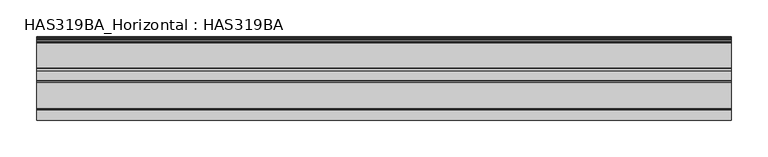
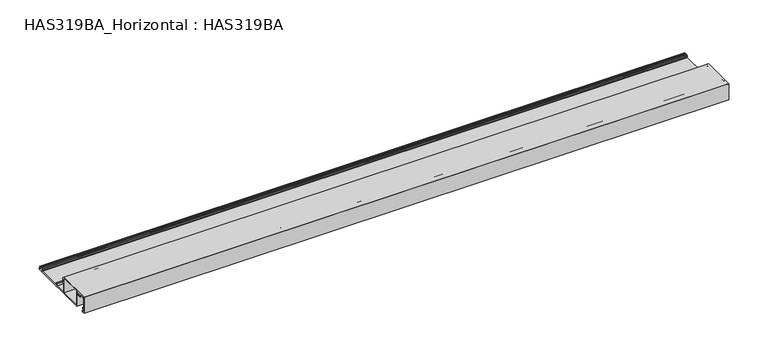
"""IFC4 building model written with IfcOpenShell, lengths in millimetres: beam geometry, HAS319BA_Horizontal : HAS319BA."""

import ifcopenshell
import ifcopenshell.guid

model = None  # the IFC model being written
_history = None  # IfcOwnerHistory: only IFC2X3 demands one
_inside = {}  # id of a spatial element -> (the spatial element, [elements in it])
_under = {}  # id of a project, library or spatial element -> (it, [spatial elements below it])
_declared = {}  # id of a project -> (the project, [libraries it declares])
_typed = {}  # id of a type object -> (the type object, [elements of that type])
_made_of = {}  # id of a material, layer set ... -> (it, [elements and type objects made of it])


def new_model(schema):
    """Start an empty IFC model of exactly this schema.

    Asked for "IFC4X3", IfcOpenShell would pick the latest addendum, in which some entities
    have other attributes; the version numbers below select the first issue.
    IFC2X3 requires an IfcOwnerHistory on every rooted entity: one is made here for all.
    """
    global model, _history
    if schema == "IFC4X3":
        model = ifcopenshell.file(schema_version=(4, 3, 0, 0))
    else:
        model = ifcopenshell.file(schema=schema)
    _inside.clear()
    _under.clear()
    _declared.clear()
    _typed.clear()
    _made_of.clear()
    _history = None
    if model.schema == "IFC2X3":
        org = make("IfcOrganization", Name="unknown")
        user = make(
            "IfcPersonAndOrganization",
            ThePerson=make("IfcPerson", FamilyName="unknown"),
            TheOrganization=org,
        )
        app = make(
            "IfcApplication",
            ApplicationDeveloper=org,
            Version="unknown",
            ApplicationFullName="unknown",
            ApplicationIdentifier="unknown",
        )
        _history = make(
            "IfcOwnerHistory",
            OwningUser=user,
            OwningApplication=app,
            ChangeAction="ADDED",
            CreationDate=0,
        )
    return model


def make(cls, **values):
    """One entity of the class cls with the attributes given. An attribute that is None is left unset."""
    return model.create_entity(
        cls, **{name: value for name, value in values.items() if value is not None}
    )


def rooted(cls, **values):
    """An entity with a GlobalId (a new one), such as an element, a storey or a relation."""
    return make(cls, GlobalId=ifcopenshell.guid.new(), OwnerHistory=_history, **values)


def si_unit(unit_type, name, prefix=None):
    """IfcSIUnit, for example si_unit("LENGTHUNIT", "METRE", prefix="MILLI")."""
    return make("IfcSIUnit", UnitType=unit_type, Prefix=prefix, Name=name)


def assignment(units):
    """IfcUnitAssignment: the units of a project."""
    return None if units is None else make("IfcUnitAssignment", Units=units)


def point(xyz):
    """IfcCartesianPoint."""
    return None if xyz is None else make("IfcCartesianPoint", Coordinates=xyz)


def direction(xyz):
    """IfcDirection."""
    return None if xyz is None else make("IfcDirection", DirectionRatios=xyz)


def frame(location, z_axis=None, x_axis=None):
    """IfcAxis2Placement3D, a coordinate frame: its origin and axes. An axis left out is left unset."""
    return make(
        "IfcAxis2Placement3D",
        Location=point(location),
        Axis=direction(z_axis),
        RefDirection=direction(x_axis),
    )


def frame_2d(location, x_axis=None):
    """IfcAxis2Placement2D, a coordinate frame in the plane: its origin and x axis."""
    return make(
        "IfcAxis2Placement2D", Location=point(location), RefDirection=direction(x_axis)
    )


def origin():
    """The frame at (0, 0, 0) with its axes left unset."""
    return frame((0.0, 0.0, 0.0))


def place(relative_to, where):
    """IfcLocalPlacement: puts the frame where relative to a parent placement (None: the world)."""
    return make(
        "IfcLocalPlacement", PlacementRelTo=relative_to, RelativePlacement=where
    )


def context(
    kind, dimensions, precision=None, world=None, true_north=None, identifier=None
):
    """IfcGeometricRepresentationContext, for example the 3D "Model" context."""
    return make(
        "IfcGeometricRepresentationContext",
        ContextIdentifier=identifier,
        ContextType=kind,
        CoordinateSpaceDimension=dimensions,
        Precision=precision,
        WorldCoordinateSystem=world,
        TrueNorth=true_north,
    )


def project(units=None, contexts=None):
    """IfcProject with its units and contexts."""
    return rooted(
        "IfcProject",
        Name="project",
        RepresentationContexts=contexts,
        UnitsInContext=assignment(units),
    )


def spatial(cls, under=None, at=None, **own):
    """A site, building, storey or space (cls), placed at a placement, below another one or the project."""
    s = rooted(cls, ObjectPlacement=at, **own)
    if under is not None:
        _under.setdefault(under.id(), (under, []))[1].append(s)
    return s


def polyline(points):
    """IfcPolyline through the points."""
    return make("IfcPolyline", Points=[point(p) for p in points])


def circle_curve(where, radius):
    """IfcCircle in the frame where."""
    return make("IfcCircle", Position=where, Radius=radius)


def trimmed(basis, trim1, trim2, sense, master):
    """IfcTrimmedCurve: the piece of a basis curve between two trims."""
    return make(
        "IfcTrimmedCurve",
        BasisCurve=basis,
        Trim1=trim1,
        Trim2=trim2,
        SenseAgreement=sense,
        MasterRepresentation=master,
    )


def segment(curve, same_sense, transition):
    """IfcCompositeCurveSegment."""
    return make(
        "IfcCompositeCurveSegment",
        Transition=transition,
        SameSense=same_sense,
        ParentCurve=curve,
    )


def composite_curve(segments, self_intersect=None):
    """IfcCompositeCurve: segments joined end to end."""
    return make("IfcCompositeCurve", Segments=segments, SelfIntersect=self_intersect)


def outline(outer, holes=None, kind="AREA"):
    """IfcArbitraryClosedProfileDef: a profile drawn as a closed curve; with holes, ...WithVoids."""
    if holes is None:
        return make("IfcArbitraryClosedProfileDef", ProfileType=kind, OuterCurve=outer)
    return make(
        "IfcArbitraryProfileDefWithVoids",
        ProfileType=kind,
        OuterCurve=outer,
        InnerCurves=holes,
    )


def extrude(swept, where, along, depth):
    """IfcExtrudedAreaSolid: the profile swept, set in the frame where, extruded along a direction by depth."""
    return make(
        "IfcExtrudedAreaSolid",
        SweptArea=swept,
        Position=where,
        ExtrudedDirection=direction(along),
        Depth=depth,
    )


def shape(context_of_items, identifier, shape_type, items):
    """IfcShapeRepresentation: the items that make up one representation, for example the "Body"."""
    return make(
        "IfcShapeRepresentation",
        ContextOfItems=context_of_items,
        RepresentationIdentifier=identifier,
        RepresentationType=shape_type,
        Items=items,
    )


def source(mapping_origin, context_of_items, identifier, shape_type, items):
    """IfcRepresentationMap: a shape defined once, which mapped items show again and again."""
    return make(
        "IfcRepresentationMap",
        MappingOrigin=mapping_origin,
        MappedRepresentation=shape(context_of_items, identifier, shape_type, items),
    )


def transform(
    local_origin,
    x_axis=None,
    y_axis=None,
    z_axis=None,
    scale=None,
    scale2=None,
    scale3=None,
    uniform=True,
):
    """IfcCartesianTransformationOperator3D, or its non-uniform kind. x_axis, y_axis, z_axis: its Axis1, 2, 3."""
    if uniform:
        return make(
            "IfcCartesianTransformationOperator3D",
            Axis1=direction(x_axis),
            Axis2=direction(y_axis),
            LocalOrigin=point(local_origin),
            Scale=scale,
            Axis3=direction(z_axis),
        )
    return make(
        "IfcCartesianTransformationOperator3DnonUniform",
        Axis1=direction(x_axis),
        Axis2=direction(y_axis),
        LocalOrigin=point(local_origin),
        Scale=scale,
        Axis3=direction(z_axis),
        Scale2=scale2,
        Scale3=scale3,
    )


def mapped(mapping_source, mapping_target):
    """IfcMappedItem: shows the shape of a source again, moved by a transform."""
    return make(
        "IfcMappedItem", MappingSource=mapping_source, MappingTarget=mapping_target
    )


def made_of(thing, what):
    """Note that an element or type object is made of a material, layer set ...; save() writes the relation."""
    if what is not None:
        _made_of.setdefault(what.id(), (what, []))[1].append(thing)
    return thing


def element(
    cls,
    number,
    at=None,
    inside=None,
    cuts=None,
    type_object=None,
    material=None,
    context=None,
    identifier="Body",
    shape_type=None,
    held_by="IfcProductDefinitionShape",
    body=None,
    shapes=None,
    **own,
):
    """One element of the class cls, such as IfcWall. Its Tag is "e" and its number.

    at: its placement. inside: the storey or other place that contains it. cuts: it is an
    opening in that element (IfcRelVoidsElement). A single representation is given by context,
    identifier, shape_type and body (its items); several are given by shapes. held_by: the class
    of the entity that holds the representations. save() writes the other relations.
    """
    e = rooted(cls, Tag="e%d" % number, ObjectPlacement=at, **own)
    if body is not None:
        shapes = [shape(context, identifier, shape_type, body)]
    if shapes is not None:
        e.Representation = make(held_by, Representations=shapes)
    if inside is not None:
        _inside.setdefault(inside.id(), (inside, []))[1].append(e)
    if cuts is not None:
        rooted(
            "IfcRelVoidsElement", RelatingBuildingElement=cuts, RelatedOpeningElement=e
        )
    if type_object is not None:
        _typed.setdefault(type_object.id(), (type_object, []))[1].append(e)
    return made_of(e, material)


def aggregate(whole, parts):
    """IfcRelAggregates: a whole, such as a stair, and the parts it consists of."""
    return rooted("IfcRelAggregates", RelatingObject=whole, RelatedObjects=parts)


def save(model, path):
    """Write the relations noted so far, then the file.

    IfcRelAggregates (storeys below a building ...), IfcRelContainedInSpatialStructure (elements
    in a storey), IfcRelDefinesByType, IfcRelAssociatesMaterial and IfcRelDeclares: one each for
    every whole, place, type object, material and project.
    """
    for whole, parts in _under.values():
        aggregate(whole, parts)
    for where, things in _inside.values():
        rooted(
            "IfcRelContainedInSpatialStructure",
            RelatedElements=things,
            RelatingStructure=where,
        )
    for kind, things in _typed.values():
        rooted("IfcRelDefinesByType", RelatedObjects=things, RelatingType=kind)
    for what, things in _made_of.values():
        rooted("IfcRelAssociatesMaterial", RelatedObjects=things, RelatingMaterial=what)
    for by, libraries in _declared.values():
        rooted("IfcRelDeclares", RelatingContext=by, RelatedDefinitions=libraries)
    model.write(path)


def has319ba_horizontal_has319ba_dd2ad573(model_context):
    return source(origin(), model_context, "Body", "SweptSolid", [
        extrude(outline(composite_curve([segment(polyline([(11.9922443, 1.5559478), (48.7321131, 1.5559478)]), True, "CONTINUOUS"), segment(trimmed(circle_curve(frame_2d((48.7321131, 2.0578665)), 0.5019187), [point((48.7321131, 1.5559478))], [point((49.1763904, 2.2914045))], True, "CARTESIAN"), True, "CONTINUOUS"), segment(polyline([(49.1763904, 2.2914045), (48.6994167, 3.1987884)]), True, "CONTINUOUS"), segment(trimmed(circle_curve(frame_2d((49.4855486, 3.362855)), 0.8030699), [point((48.6994167, 3.1987884))], [point((48.9176924, 3.9307111))], False, "CARTESIAN"), True, "CONTINUOUS"), segment(polyline([(48.9176924, 3.9307111), (49.8555923, 4.868611), (51.8683829, 4.868611)]), True, "CONTINUOUS"), segment(trimmed(circle_curve(frame_2d((51.8683829, 4.5303283)), 0.3382827), [point((51.8683829, 4.868611))], [point((52.1087403, 4.2922873))], False, "CARTESIAN"), True, "CONTINUOUS"), segment(trimmed(circle_curve(frame_2d((53.2499385, 3.1620875)), 1.6061397), [point((52.1087403, 4.2922873))], [point((54.4254596, 4.256544))], True, "CARTESIAN"), True, "CONTINUOUS"), segment(trimmed(circle_curve(frame_2d((54.6918814, 4.5045932)), 0.3640178), [point((54.4254596, 4.256544))], [point((54.6918814, 4.868611))], False, "CARTESIAN"), True, "CONTINUOUS"), segment(polyline([(54.6918814, 4.868611), (55.8521822, 4.868611)]), True, "CONTINUOUS"), segment(trimmed(circle_curve(frame_2d((53.2499385, 3.1620875)), 3.1118957), [point((55.8521822, 4.868611))], [point((56.2063299, 2.1906738))], False, "CARTESIAN"), True, "CONTINUOUS"), segment(trimmed(circle_curve(frame_2d((56.6831672, 2.0339941)), 0.5019187), [point((56.2063299, 2.1906738))], [point((56.5866789, 1.5414372))], True, "CARTESIAN"), True, "CONTINUOUS"), segment(trimmed(circle_curve(frame_2d((56.437122, 0.7779739)), 0.7779739), [point((56.5866789, 1.5414372))], [point((56.437122, 0.0))], False, "CARTESIAN"), True, "CONTINUOUS"), segment(polyline([(56.437122, 0.0), (-38.6906612, 0.0), (-38.6906612, 23.6448196), (-40.9871474, 23.6448196)]), True, "CONTINUOUS"), segment(trimmed(circle_curve(frame_2d((-40.9871474, 23.2432753)), 0.4015444), [point((-40.9871474, 23.6448196))], [point((-41.3499466, 23.0711864))], True, "CARTESIAN"), True, "CONTINUOUS"), segment(trimmed(circle_curve(frame_2d((-44.1615746, 21.7375287)), 3.1118957), [point((-41.3499466, 23.0711864))], [point((-41.8268955, 19.6800623))], False, "CARTESIAN"), True, "CONTINUOUS"), segment(trimmed(circle_curve(frame_2d((-42.3917372, 20.1778364)), 0.752878), [point((-41.8268955, 19.6800623))], [point((-42.956579, 20.6756106))], False, "CARTESIAN"), True, "CONTINUOUS"), segment(trimmed(circle_curve(frame_2d((-44.1615746, 21.7375287)), 1.6061397), [point((-42.956579, 20.6756106))], [point((-44.120102, 23.3431329))], True, "CARTESIAN"), True, "CONTINUOUS"), segment(trimmed(circle_curve(frame_2d((-44.1615746, 21.7375287)), 1.6061397), [point((-44.120102, 23.3431329))], [point((-45.3665703, 20.6756106))], True, "CARTESIAN"), True, "CONTINUOUS"), segment(trimmed(circle_curve(frame_2d((-45.931412, 20.1778364)), 0.752878), [point((-45.3665703, 20.6756106))], [point((-46.4962537, 19.6800623))], False, "CARTESIAN"), True, "CONTINUOUS"), segment(trimmed(circle_curve(frame_2d((-44.1615746, 21.7375287)), 3.1118957), [point((-46.4962537, 19.6800623))], [point((-46.9732171, 23.0711558))], False, "CARTESIAN"), True, "CONTINUOUS"), segment(trimmed(circle_curve(frame_2d((-47.33604, 23.2432511)), 0.4015685), [point((-46.9732171, 23.0711558))], [point((-47.33604, 23.6448196))], True, "CARTESIAN"), True, "CONTINUOUS"), segment(polyline([(-47.33604, 23.6448196), (-53.3466861, 23.6448196), (-53.3466861, 22.6409823)]), True, "CONTINUOUS"), segment(trimmed(circle_curve(frame_2d((-53.8486047, 22.6409823)), 0.5019187), [point((-53.3466861, 22.6409823))], [point((-54.3505234, 22.6409823))], False, "CARTESIAN"), True, "CONTINUOUS"), segment(polyline([(-54.3505234, 22.6409823), (-54.3505234, 23.6448196), (-55.8562794, 23.6448196), (-55.8562794, 5.6716808), (-54.3505234, 5.6716808), (-54.3505234, 6.6755182)]), True, "CONTINUOUS"), segment(trimmed(circle_curve(frame_2d((-53.8486047, 6.6755182)), 0.5019187), [point((-54.3505234, 6.6755182))], [point((-53.3466861, 6.6755182))], False, "CARTESIAN"), True, "CONTINUOUS"), segment(polyline([(-53.3466861, 6.6755182), (-53.3466861, 5.4709134)]), True, "CONTINUOUS"), segment(trimmed(circle_curve(frame_2d((-54.1497559, 5.4709134)), 0.8030699), [point((-53.3466861, 5.4709134))], [point((-54.1497559, 4.6678435))], False, "CARTESIAN"), True, "CONTINUOUS"), segment(polyline([(-54.1497559, 4.6678435), (-55.8562794, 4.6678435), (-55.8562794, 1.4053722), (-52.8949593, 1.4053722)]), True, "CONTINUOUS"), segment(trimmed(circle_curve(frame_2d((-52.8949593, 0.7026861)), 0.7026861), [point((-52.8949593, 1.4053722))], [point((-52.8949593, 0.0))], False, "CARTESIAN"), True, "CONTINUOUS"), segment(polyline([(-52.8949593, 0.0), (-57.2114597, 0.0), (-57.2114597, 25.0), (-5.5749087, 25.0), (-5.5749087, 22.6409823), (-3.8683853, 22.6409823)]), True, "CONTINUOUS"), segment(trimmed(circle_curve(frame_2d((-3.8683853, 22.1390636)), 0.5019187), [point((-3.8683853, 22.6409823))], [point((-3.3664666, 22.1390636))], False, "CARTESIAN"), True, "CONTINUOUS"), segment(polyline([(-3.3664666, 22.1390636), (-3.3664666, 20.5336914)]), True, "CONTINUOUS"), segment(trimmed(circle_curve(frame_2d((-3.8683853, 20.5336914)), 0.5019187), [point((-3.3664666, 20.5336914))], [point((-4.3703039, 20.5336914))], False, "CARTESIAN"), True, "CONTINUOUS"), segment(polyline([(-4.3703039, 20.5336914), (-4.3703039, 21.3359938), (-5.7756762, 21.3359938), (-5.7756762, 16.0112052), (-4.3703039, 16.0112052), (-4.3703039, 16.8135076)]), True, "CONTINUOUS"), segment(trimmed(circle_curve(frame_2d((-3.8683853, 16.8135076)), 0.5019187), [point((-4.3703039, 16.8135076))], [point((-3.3664666, 16.8135076))], False, "CARTESIAN"), True, "CONTINUOUS"), segment(polyline([(-3.3664666, 16.8135076), (-3.3664666, 15.2081353)]), True, "CONTINUOUS"), segment(trimmed(circle_curve(frame_2d((-3.8683853, 15.2081353)), 0.5019187), [point((-3.3664666, 15.2081353))], [point((-3.8683853, 14.7062167))], False, "CARTESIAN"), True, "CONTINUOUS"), segment(polyline([(-3.8683853, 14.7062167), (-5.5749087, 14.7062167), (-5.5749087, 1.5559478), (10.6872558, 1.5559478), (10.6872558, 4.868611), (13.3976166, 4.868611)]), True, "CONTINUOUS"), segment(trimmed(circle_curve(frame_2d((13.3976166, 4.2663086)), 0.6023024), [point((13.3976166, 4.868611))], [point((13.6744167, 3.7313788))], False, "CARTESIAN"), True, "CONTINUOUS"), segment(polyline([(13.6744167, 3.7313788), (11.9922443, 2.8609364), (11.9922443, 1.5559478)]), True, "CONTINUOUS")], self_intersect=False), holes=[polyline([(-7.1308566, 23.6448196), (-37.1347134, 23.6448196), (-37.1347134, 1.5559478), (-7.1308566, 1.5559478), (-7.1308566, 23.6448196)])]), frame((-474.9581994, 0.0, 0.0), z_axis=(1.0, 0.0, 0.0), x_axis=(0.0, 1.0, 0.0)), (0.0, 0.0, 1.0), 949.9163987),
    ])


if __name__ == "__main__":
    model = new_model("IFC4")
    model_context = context("Model", 3, world=origin())
    ifc_project = project(units=[si_unit("LENGTHUNIT", "METRE", prefix="MILLI")], contexts=[model_context])
    site = spatial("IfcSite", under=ifc_project)
    building = spatial("IfcBuilding", under=site)
    placement = place(None, origin())
    has319ba_horizontal_has319ba_shape = has319ba_horizontal_has319ba_dd2ad573(model_context)
    element("IfcBeam", 1, ObjectType="HAS319BA_Horizontal : HAS319BA", at=placement, inside=building, context=model_context, shape_type="MappedRepresentation", body=[
        mapped(has319ba_horizontal_has319ba_shape, transform((0.0, 0.0, 0.0), x_axis=(1.0, 0.0, 0.0), y_axis=(0.0, 1.0, 0.0), z_axis=(0.0, 0.0, 1.0))),
    ])
    save(model, "model.ifc")
